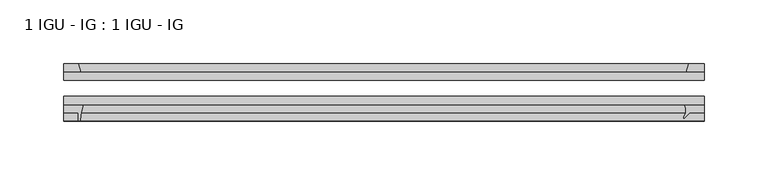
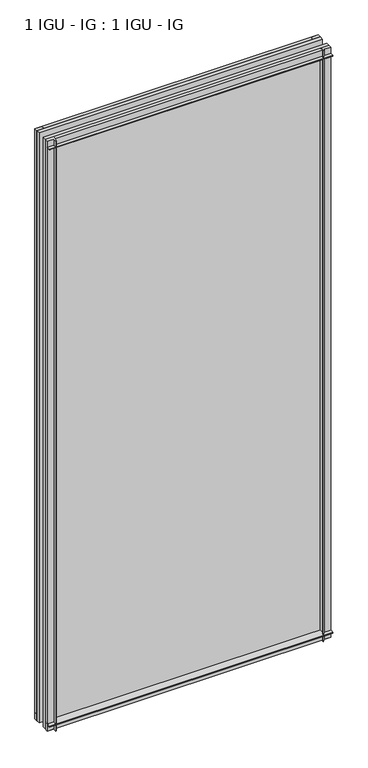
"""IFC4 building model written with IfcOpenShell, lengths in millimetres: plate geometry, 1 IGU - IG : 1 IGU - IG."""

from ifc_helpers import new_model, si_unit, point, frame, frame_2d, origin, place, context, project, spatial, polyline, circle_curve, trimmed, segment, composite_curve, outline, extrude, source, transform, mapped, element, save


def plate_1_igu_ig_1_igu_ig_b3d97fe0(model_context):
    return source(origin(), model_context, "Body", "SweptSolid", [
        extrude(outline(polyline([(250.3437625, -31.75), (250.3437625, -38.1), (-250.3437625, -38.1), (-250.3437625, -31.75), (250.3437625, -31.75)])), frame((0.0, 0.0, -11.1125), z_axis=(0.0, 0.0, 1.0), x_axis=(1.0, 0.0, 0.0)), (0.0, 0.0, 1.0), 1101.725),
        extrude(outline(polyline([(-250.3437625, -12.7), (250.3437625, -12.7), (250.3437625, -19.05), (-250.3437625, -19.05), (-250.3437625, -12.7)])), frame((0.0, 0.0, -11.1125), z_axis=(0.0, 0.0, 1.0), x_axis=(1.0, 0.0, 0.0)), (0.0, 0.0, 1.0), 1101.725),
        extrude(outline(polyline([(236.2848226, -12.7), (238.3900997, -6.35), (250.3437625, -6.35), (250.3437625, -12.7), (236.2848226, -12.7)])), frame((0.0, 0.0, -11.1125), z_axis=(0.0, 0.0, 1.0), x_axis=(1.0, 0.0, 0.0)), (0.0, 0.0, 1.0), 1101.725),
        extrude(outline(composite_curve([segment(trimmed(circle_curve(frame_2d((227.4926636, -42.5735189)), 8.7187667), [point((234.4925696, -47.7714232))], [point((234.9762805, -38.1))], True, "CARTESIAN"), True, "CONTINUOUS"), segment(polyline([(234.9762805, -38.1), (250.3437625, -38.1), (250.3437625, -44.45), (239.2312625, -44.45), (234.7705531, -48.9107094)]), True, "CONTINUOUS"), segment(trimmed(circle_curve(frame_2d((235.1043452, -48.225708)), 0.762), [point((234.7705531, -48.9107094))], [point((234.4925696, -47.7714232))], False, "CARTESIAN"), True, "CONTINUOUS")], self_intersect=False)), frame((0.0, 0.0, -11.1125), z_axis=(0.0, 0.0, 1.0), x_axis=(1.0, 0.0, 0.0)), (0.0, 0.0, 1.0), 1101.725),
        extrude(outline(composite_curve([segment(polyline([(-250.3437625, -38.1), (-235.0500833, -38.1)]), True, "CONTINUOUS"), segment(trimmed(circle_curve(frame_2d((-191.7910669, -53.3794536)), 45.8781451), [point((-235.0500833, -38.1))], [point((-237.5513198, -50.0925922))], True, "CARTESIAN"), True, "CONTINUOUS"), segment(trimmed(circle_curve(frame_2d((-238.3113617, -50.038)), 0.762), [point((-237.5513198, -50.0925922))], [point((-238.3113617, -50.8))], False, "CARTESIAN"), True, "CONTINUOUS"), segment(polyline([(-238.3113617, -50.8), (-239.2312625, -50.8), (-239.2312625, -44.45), (-250.3437625, -44.45), (-250.3437625, -38.1)]), True, "CONTINUOUS")], self_intersect=False)), frame((0.0, 0.0, -11.1125), z_axis=(0.0, 0.0, 1.0), x_axis=(1.0, 0.0, 0.0)), (0.0, 0.0, 1.0), 1101.725),
        extrude(outline(polyline([(-237.1259855, -12.7), (-250.3437625, -12.7), (-250.3437625, -6.35), (-239.2312625, -6.35), (-237.1259855, -12.7)])), frame((0.0, 0.0, -11.1125), z_axis=(0.0, 0.0, 1.0), x_axis=(1.0, 0.0, 0.0)), (0.0, 0.0, 1.0), 1101.725),
        extrude(outline(polyline([(-12.7, -11.1125), (-12.7, 2.1052771), (-6.35, 0.0), (-6.35, -11.1125), (-12.7, -11.1125)])), frame((-250.3437625, 0.0, 0.0), z_axis=(1.0, 0.0, 0.0), x_axis=(0.0, 1.0, 0.0)), (0.0, 0.0, 1.0), 500.6875251),
        extrude(outline(composite_curve([segment(polyline([(-38.1, 4.1811793), (-38.1, -11.1125), (-44.45, -11.1125), (-44.45, 0.0), (-50.8, 0.0), (-50.8, 0.9199009)]), True, "CONTINUOUS"), segment(trimmed(circle_curve(frame_2d((-50.038, 0.9199009)), 0.762), [point((-50.8, 0.9199009))], [point((-50.0925922, 1.6799428))], False, "CARTESIAN"), True, "CONTINUOUS"), segment(trimmed(circle_curve(frame_2d((-53.3794536, 47.4401956)), 45.8781451), [point((-50.0925922, 1.6799428))], [point((-38.1, 4.1811793))], True, "CARTESIAN"), True, "CONTINUOUS")], self_intersect=False)), frame((-250.3437625, 0.0, 0.0), z_axis=(1.0, 0.0, 0.0), x_axis=(0.0, 1.0, 0.0)), (0.0, 0.0, 1.0), 500.6875251),
        extrude(outline(polyline([(-6.35, 1079.5), (-12.7, 1077.3947229), (-12.7, 1090.6125), (-6.35, 1090.6125), (-6.35, 1079.5)])), frame((-250.3437625, 0.0, 0.0), z_axis=(1.0, 0.0, 0.0), x_axis=(0.0, 1.0, 0.0)), (0.0, 0.0, 1.0), 500.6875251),
        extrude(outline(composite_curve([segment(polyline([(-38.1, 1090.6125), (-38.1, 1075.3188207)]), True, "CONTINUOUS"), segment(trimmed(circle_curve(frame_2d((-53.3794536, 1032.0598044)), 45.8781451), [point((-38.1, 1075.3188207))], [point((-50.0925922, 1077.8200572))], True, "CARTESIAN"), True, "CONTINUOUS"), segment(trimmed(circle_curve(frame_2d((-50.038, 1078.5800991)), 0.762), [point((-50.0925922, 1077.8200572))], [point((-50.8, 1078.5800991))], False, "CARTESIAN"), True, "CONTINUOUS"), segment(polyline([(-50.8, 1078.5800991), (-50.8, 1079.5), (-44.45, 1079.5), (-44.45, 1090.6125), (-38.1, 1090.6125)]), True, "CONTINUOUS")], self_intersect=False)), frame((-250.3437625, 0.0, 0.0), z_axis=(1.0, 0.0, 0.0), x_axis=(0.0, 1.0, 0.0)), (0.0, 0.0, 1.0), 500.6875251),
    ])


if __name__ == "__main__":
    model = new_model("IFC4")
    model_context = context("Model", 3, world=origin())
    ifc_project = project(units=[si_unit("LENGTHUNIT", "METRE", prefix="MILLI")], contexts=[model_context])
    site = spatial("IfcSite", under=ifc_project)
    building = spatial("IfcBuilding", under=site)
    placement = place(None, origin())
    plate_1_igu_ig_1_igu_ig_shape = plate_1_igu_ig_1_igu_ig_b3d97fe0(model_context)
    element("IfcPlate", 1, ObjectType="1 IGU - IG : 1 IGU - IG", at=placement, inside=building, context=model_context, shape_type="MappedRepresentation", body=[
        mapped(plate_1_igu_ig_1_igu_ig_shape, transform((0.0, 0.0, 0.0), x_axis=(1.0, 0.0, 0.0), y_axis=(0.0, 1.0, 0.0), z_axis=(0.0, 0.0, 1.0))),
    ])
    save(model, "model.ifc")
